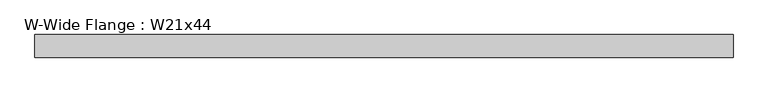
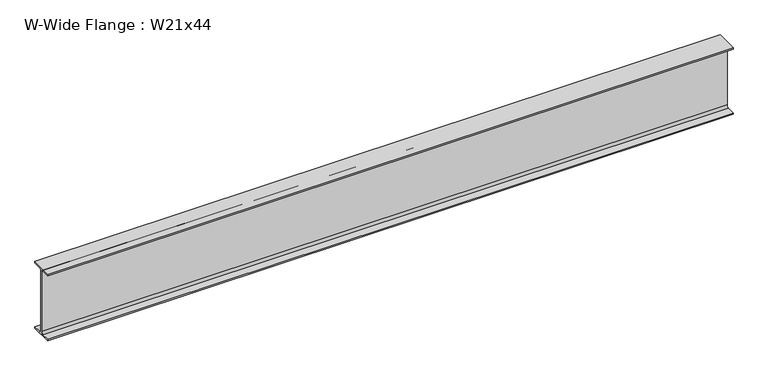
"""IFC4 building model written with IfcOpenShell, lengths in millimetres: beam geometry, W-Wide Flange : W21x44."""

from ifc_helpers import new_model, si_unit, point, frame, frame_2d, origin, place, context, project, spatial, polyline, circle_curve, trimmed, segment, composite_curve, outline, extrude, source, transform, mapped, element, save


def w_wide_flange_w21x44_e2d5859e(model_context):
    return source(origin(), model_context, "Body", "SweptSolid", [
        extrude(outline(composite_curve([segment(polyline([(82.55, -251.46), (82.55, -262.89), (-82.55, -262.89), (-82.55, -251.46), (-21.59, -251.46)]), True, "CONTINUOUS"), segment(trimmed(circle_curve(frame_2d((-21.59, -234.315)), 17.145), [point((-21.59, -251.46))], [point((-4.445, -234.315))], True, "CARTESIAN"), True, "CONTINUOUS"), segment(polyline([(-4.445, -234.315), (-4.445, 234.315)]), True, "CONTINUOUS"), segment(trimmed(circle_curve(frame_2d((-21.59, 234.315)), 17.145), [point((-4.445, 234.315))], [point((-21.59, 251.46))], True, "CARTESIAN"), True, "CONTINUOUS"), segment(polyline([(-21.59, 251.46), (-82.55, 251.46), (-82.55, 262.89), (82.55, 262.89), (82.55, 251.46), (21.59, 251.46)]), True, "CONTINUOUS"), segment(trimmed(circle_curve(frame_2d((21.59, 234.315)), 17.145), [point((21.59, 251.46))], [point((4.445, 234.315))], True, "CARTESIAN"), True, "CONTINUOUS"), segment(polyline([(4.445, 234.315), (4.445, -234.315)]), True, "CONTINUOUS"), segment(trimmed(circle_curve(frame_2d((21.59, -234.315)), 17.145), [point((4.445, -234.315))], [point((21.59, -251.46))], True, "CARTESIAN"), True, "CONTINUOUS"), segment(polyline([(21.59, -251.46), (82.55, -251.46)]), True, "CONTINUOUS")], self_intersect=False)), frame((-2452.37, 0.0, 0.0), z_axis=(1.0, 0.0, 0.0), x_axis=(0.0, 1.0, 0.0)), (0.0, 0.0, 1.0), 5100.701),
    ])


if __name__ == "__main__":
    model = new_model("IFC4")
    model_context = context("Model", 3, world=origin())
    ifc_project = project(units=[si_unit("LENGTHUNIT", "METRE", prefix="MILLI")], contexts=[model_context])
    site = spatial("IfcSite", under=ifc_project)
    building = spatial("IfcBuilding", under=site)
    placement = place(None, origin())
    w_wide_flange_w21x44_shape = w_wide_flange_w21x44_e2d5859e(model_context)
    element("IfcBeam", 1, ObjectType="W-Wide Flange : W21x44", at=placement, inside=building, context=model_context, shape_type="MappedRepresentation", body=[
        mapped(w_wide_flange_w21x44_shape, transform((0.0, 0.0, 0.0), x_axis=(1.0, 0.0, 0.0), y_axis=(0.0, 1.0, 0.0), z_axis=(0.0, 0.0, 1.0))),
    ])
    save(model, "model.ifc")
